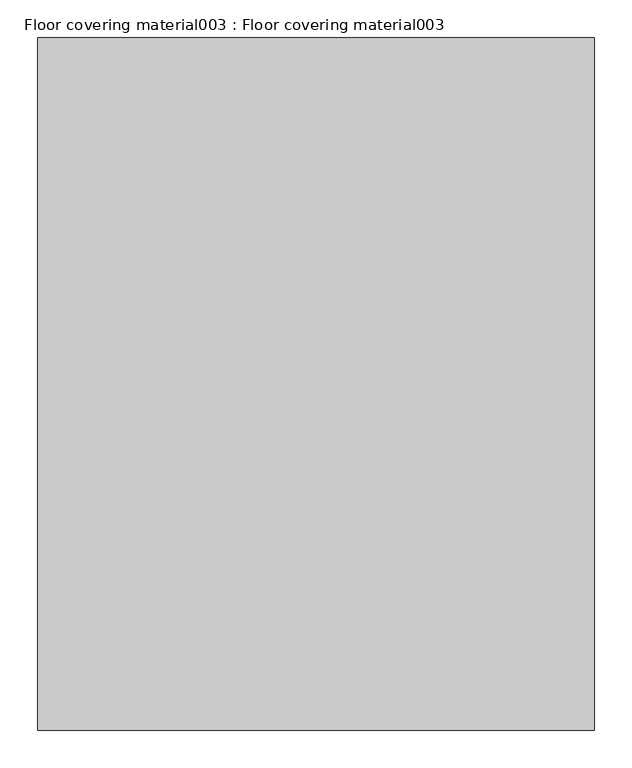
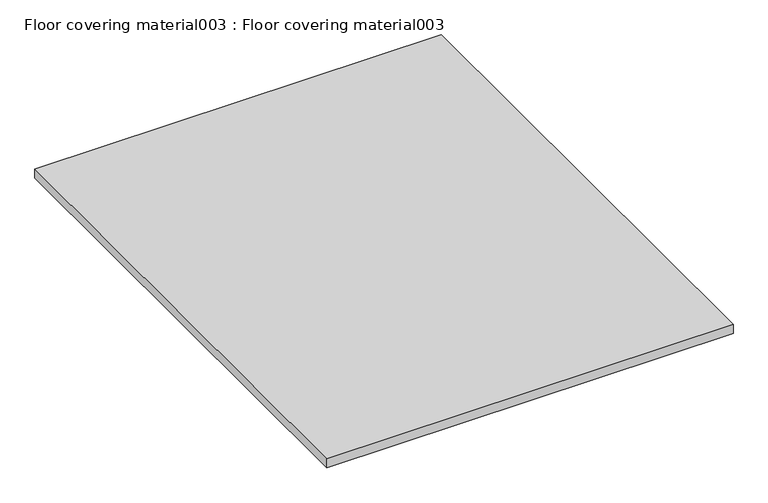
"""IFC4 building model written with IfcOpenShell, lengths in millimetres: proxy geometry, Floor covering material003 : Floor covering material003."""

from ifc_helpers import new_model, si_unit, frame, origin, place, context, project, spatial, polyline, outline, extrude, source, transform, mapped, element, save


def floor_covering_material003_floor_covering_material003_0f602d56(model_context):
    return source(origin(), model_context, "Body", "SweptSolid", [
        extrude(outline(polyline([(37227.7380854, -19576.8264268), (36492.4410043, -19576.8264268), (36492.4410043, -18662.4264268), (37227.7380854, -18662.4264268), (37227.7380854, -19576.8264268)])), frame((0.0, 0.0, 152.4), z_axis=(0.0, 0.0, 1.0), x_axis=(1.0, 0.0, 0.0)), (0.0, 0.0, 1.0), 17.2078186),
    ])


if __name__ == "__main__":
    model = new_model("IFC4")
    model_context = context("Model", 3, world=origin())
    ifc_project = project(units=[si_unit("LENGTHUNIT", "METRE", prefix="MILLI")], contexts=[model_context])
    site = spatial("IfcSite", under=ifc_project)
    building = spatial("IfcBuilding", under=site)
    placement = place(None, origin())
    floor_covering_material003_floor_covering_material003_shape = floor_covering_material003_floor_covering_material003_0f602d56(model_context)
    element("IfcBuildingElementProxy", 1, Name="Floor covering material003 : Floor covering material003", ObjectType="Floor covering material003 : Floor covering material003", at=placement, inside=building, context=model_context, shape_type="MappedRepresentation", body=[
        mapped(floor_covering_material003_floor_covering_material003_shape, transform((0.0, 0.0, 0.0), x_axis=(1.0, 0.0, 0.0), y_axis=(0.0, 1.0, 0.0), z_axis=(0.0, 0.0, 1.0))),
    ])
    save(model, "model.ifc")
